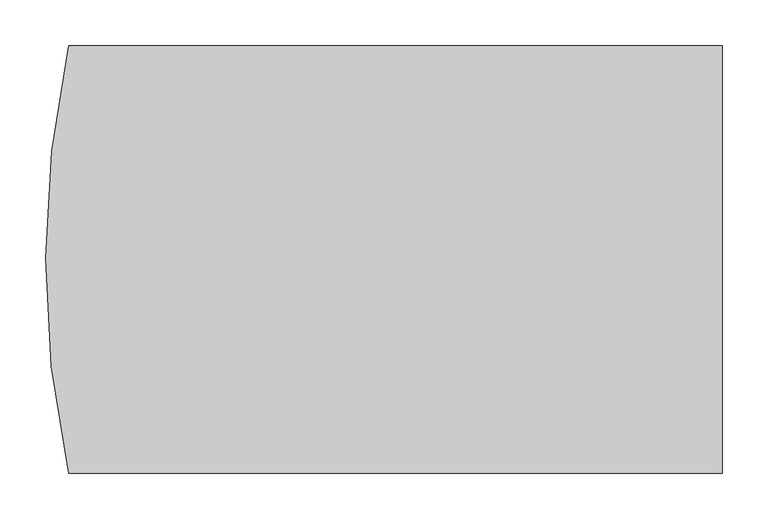
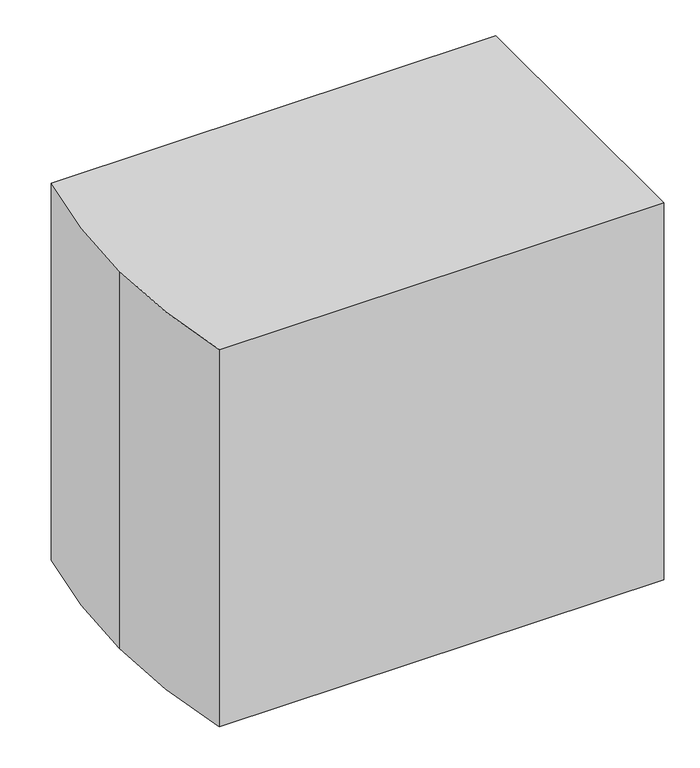
"""IFC4 building model written with IfcOpenShell, lengths in millimetres: proxy geometry."""

from ifc_helpers import new_model, si_unit, point, frame_2d, origin, origin_with_axes, place, context, project, spatial, polyline, circle_curve, trimmed, segment, composite_curve, outline, extrude, source, transform, mapped, element, save


def specialty_equipment_a0de5f8f(model_context):
    return source(origin(), model_context, "Body", "SweptSolid", [
        extrude(outline(composite_curve([segment(polyline([(-88.9, -556.2767311), (-803.8388253, -556.2767311)]), True, "CONTINUOUS"), segment(trimmed(circle_curve(frame_2d((289.4192863, -321.3267311)), 1118.2194781), [point((-803.8388253, -556.2767311))], [point((-828.8001917, -321.3267311))], False, "CARTESIAN"), True, "CONTINUOUS"), segment(trimmed(circle_curve(frame_2d((277.5440946, -322.5883656)), 1106.3450057), [point((-828.8001917, -321.3267311))], [point((-803.8388253, -88.9))], False, "CARTESIAN"), True, "CONTINUOUS"), segment(polyline([(-803.8388253, -88.9), (-283.3273122, -88.9), (-88.9, -88.9), (-88.9, -556.2767311)]), True, "CONTINUOUS")], self_intersect=False)), origin_with_axes(), (0.0, 0.0, 1.0), 641.35),
    ])


if __name__ == "__main__":
    model = new_model("IFC4")
    model_context = context("Model", 3, world=origin())
    ifc_project = project(units=[si_unit("LENGTHUNIT", "METRE", prefix="MILLI")], contexts=[model_context])
    site = spatial("IfcSite", under=ifc_project)
    building = spatial("IfcBuilding", under=site)
    placement = place(None, origin())
    specialty_equipment_shape = specialty_equipment_a0de5f8f(model_context)
    element("IfcBuildingElementProxy", 1, Name="Specialty Equipment", at=placement, inside=building, context=model_context, shape_type="MappedRepresentation", body=[
        mapped(specialty_equipment_shape, transform((0.0, 0.0, 0.0), x_axis=(1.0, 0.0, 0.0), y_axis=(0.0, 1.0, 0.0), z_axis=(0.0, 0.0, 1.0))),
    ])
    save(model, "model.ifc")
